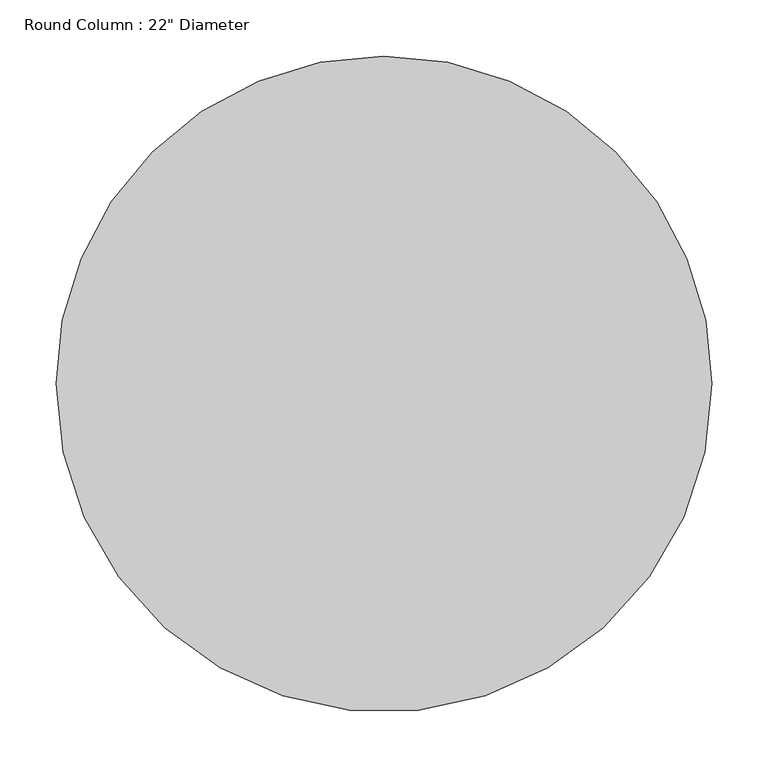
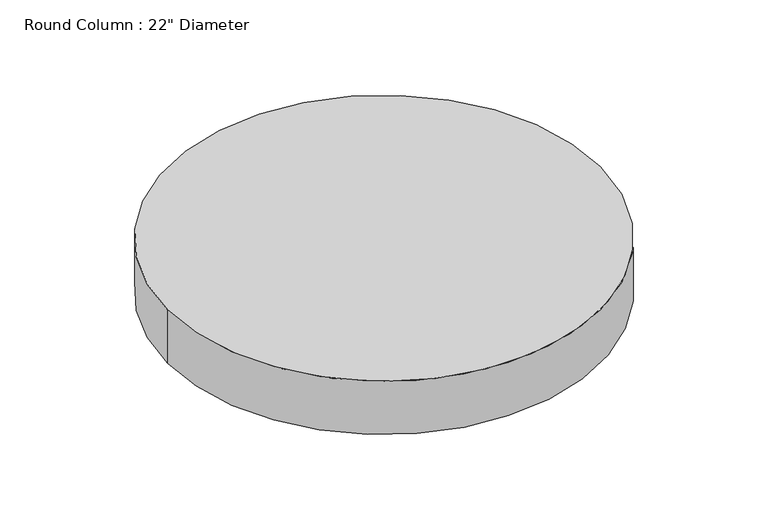
"""IFC4 building model written with IfcOpenShell, lengths in millimetres: column geometry."""

from ifc_helpers import new_model, si_unit, point, frame, origin, origin_2d, place, context, project, spatial, circle_curve, trimmed, segment, composite_curve, outline, extrude, source, transform, mapped, element, save


def column_56c0cdb6(model_context):
    return source(origin(), model_context, "Body", "SweptSolid", [
        extrude(outline(composite_curve([segment(trimmed(circle_curve(origin_2d(), 292.1), [point((292.1, 0.0))], [point((-292.1, 0.0))], False, "CARTESIAN"), True, "CONTINUOUS"), segment(trimmed(circle_curve(origin_2d(), 292.1), [point((-292.1, 0.0))], [point((0.0, 292.1))], False, "CARTESIAN"), True, "CONTINUOUS"), segment(trimmed(circle_curve(origin_2d(), 292.1), [point((0.0, 292.1))], [point((292.1, 0.0))], False, "CARTESIAN"), True, "CONTINUOUS")], self_intersect=False)), frame((0.0, 0.0, -914.4), z_axis=(0.0, 0.0, 1.0), x_axis=(1.0, 0.0, 0.0)), (0.0, 0.0, 1.0), 76.2),
    ])


if __name__ == "__main__":
    model = new_model("IFC4")
    model_context = context("Model", 3, world=origin())
    ifc_project = project(units=[si_unit("LENGTHUNIT", "METRE", prefix="MILLI")], contexts=[model_context])
    site = spatial("IfcSite", under=ifc_project)
    building = spatial("IfcBuilding", under=site)
    placement = place(None, origin())
    column_shape = column_56c0cdb6(model_context)
    element("IfcColumn", 1, ObjectType="Round Column : 22\" Diameter", at=placement, inside=building, context=model_context, shape_type="MappedRepresentation", body=[
        mapped(column_shape, transform((0.0, 0.0, 0.0), x_axis=(1.0, 0.0, 0.0), y_axis=(0.0, 1.0, 0.0), z_axis=(0.0, 0.0, 1.0))),
    ])
    save(model, "model.ifc")
